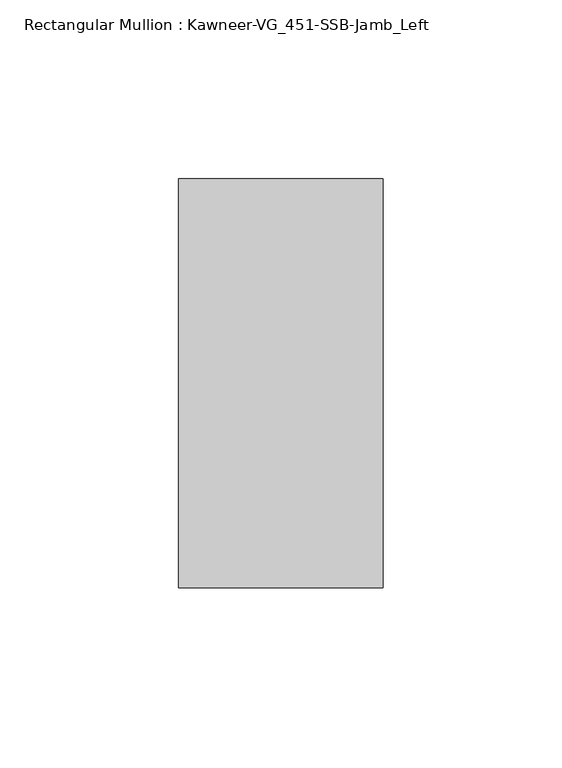
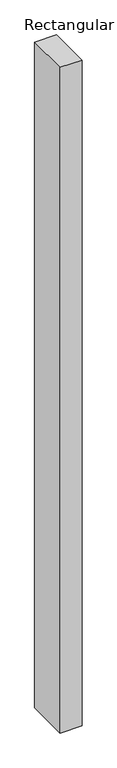
"""IFC4 building model written with IfcOpenShell, lengths in millimetres: member geometry, Rectangular Mullion : Kawneer-VG_451-SSB-Jamb_Left."""

from ifc_helpers import new_model, si_unit, frame, origin, place, context, project, spatial, polyline, outline, extrude, source, transform, mapped, element, save


def rectangular_mullion_kawneer_vg_451_ssb_jamb_left_6c2af602(model_context):
    return source(origin(), model_context, "Body", "SweptSolid", [
        extrude(outline(polyline([(-57.15, -57.15), (-57.15, 57.15), (0.0, 57.15), (0.0, -57.15), (-57.15, -57.15)])), frame((0.0, 0.0, -1828.8), z_axis=(0.0, 0.0, 1.0), x_axis=(1.0, 0.0, 0.0)), (0.0, 0.0, 1.0), 1828.8),
    ])


if __name__ == "__main__":
    model = new_model("IFC4")
    model_context = context("Model", 3, world=origin())
    ifc_project = project(units=[si_unit("LENGTHUNIT", "METRE", prefix="MILLI")], contexts=[model_context])
    site = spatial("IfcSite", under=ifc_project)
    building = spatial("IfcBuilding", under=site)
    placement = place(None, origin())
    rectangular_mullion_kawneer_vg_451_ssb_jamb_left_shape = rectangular_mullion_kawneer_vg_451_ssb_jamb_left_6c2af602(model_context)
    element("IfcMember", 1, ObjectType="Rectangular Mullion : Kawneer-VG_451-SSB-Jamb_Left", at=placement, inside=building, context=model_context, shape_type="MappedRepresentation", body=[
        mapped(rectangular_mullion_kawneer_vg_451_ssb_jamb_left_shape, transform((0.0, 0.0, 0.0), x_axis=(1.0, 0.0, 0.0), y_axis=(0.0, 1.0, 0.0), z_axis=(0.0, 0.0, 1.0))),
    ])
    save(model, "model.ifc")
